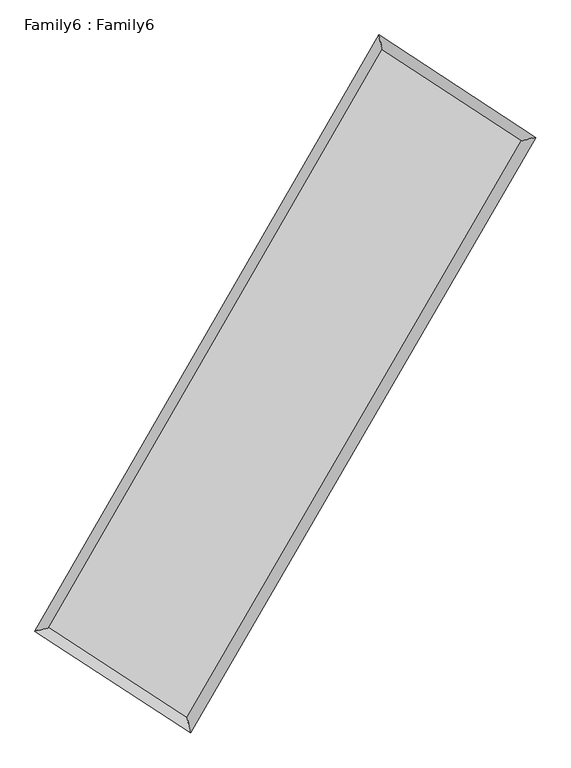
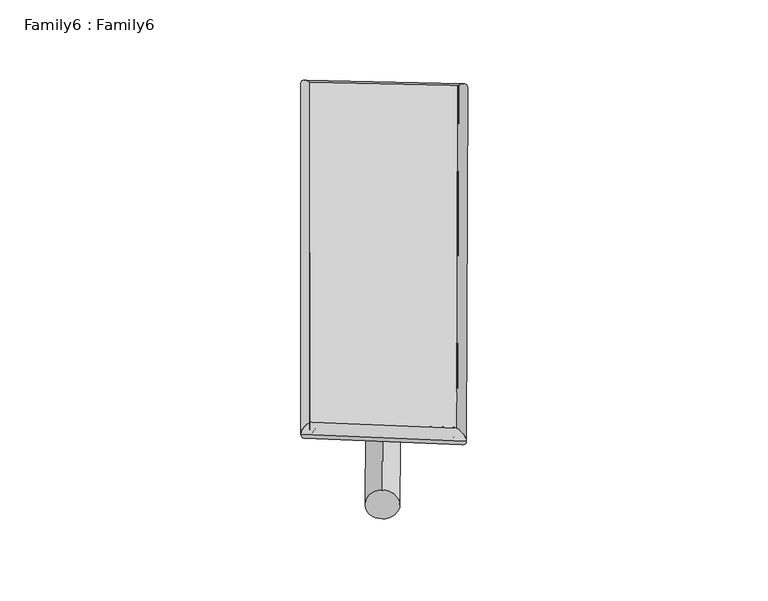
"""IFC4 building model written with IfcOpenShell, lengths in millimetres: plate geometry, Family6 : Family6."""

from ifc_helpers import new_model, si_unit, point, frame, origin, origin_2d, place, context, project, spatial, circle_curve, ellipse_curve, trimmed, segment, composite_curve, outline, extrude, source, transform, mapped, element, save
from ifc_brep_helpers import plane_surface, cylinder_surface, spline_surface, advanced_brep


def family6_family6_b4f76090(model_context):
    return source(origin(), model_context, "Body", "SolidModel", [
        extrude(outline(composite_curve([segment(trimmed(circle_curve(origin_2d(), 76.2), [point((-75.4341514, -10.7763074))], [point((75.4341514, 10.7763074))], False, "CARTESIAN"), True, "CONTINUOUS"), segment(trimmed(circle_curve(origin_2d(), 76.2), [point((75.4341514, 10.7763074))], [point((-75.4341514, -10.7763074))], False, "CARTESIAN"), True, "CONTINUOUS")], self_intersect=False)), frame((9144.0, 9144.0, 0.0), z_axis=(0.6709304404013192, 0.6871222973157053, 0.2787746270277831), x_axis=(-0.6796743776074097, 0.720168161679478, -0.13928589062493674)), (0.0, 0.0, 1.0), 5519.3623496),
        extrude(outline(composite_curve([segment(trimmed(circle_curve(origin_2d(), 76.2), [point((-53.8815367, 53.8815368))], [point((53.8815367, -53.8815368))], False, "CARTESIAN"), True, "CONTINUOUS"), segment(trimmed(circle_curve(origin_2d(), 76.2), [point((53.8815367, -53.8815368))], [point((-53.8815367, 53.8815368))], False, "CARTESIAN"), True, "CONTINUOUS")], self_intersect=False)), frame((9144.0, 9144.0, 0.0), z_axis=(-0.6691565517605604, -0.6887980343970279, 0.2789028093202134), x_axis=(0.6462310610662616, -0.35406941701124817, 0.6760327385936931)), (0.0, 0.0, 1.0), 5516.8865367),
        extrude(outline(composite_curve([segment(trimmed(circle_curve(origin_2d(), 76.2), [point((-53.8815367, -53.8815368))], [point((53.8815367, 53.8815368))], False, "CARTESIAN"), True, "CONTINUOUS"), segment(trimmed(circle_curve(origin_2d(), 76.2), [point((53.8815367, 53.8815368))], [point((-53.8815367, -53.8815368))], False, "CARTESIAN"), True, "CONTINUOUS")], self_intersect=False)), frame((9144.0, 9144.0, 0.0), z_axis=(0.2681392661558582, 0.9256318241656442, 0.2670338181526454), x_axis=(-0.840269598555065, 0.3602894541980956, -0.40514011272367045)), (0.0, 0.0, 1.0), 5641.9200081),
        extrude(outline(composite_curve([segment(trimmed(circle_curve(origin_2d(), 76.2), [point((-75.4341514, 10.7763074))], [point((75.4341514, -10.7763074))], False, "CARTESIAN"), True, "CONTINUOUS"), segment(trimmed(circle_curve(origin_2d(), 76.2), [point((75.4341514, -10.7763074))], [point((-75.4341514, 10.7763074))], False, "CARTESIAN"), True, "CONTINUOUS")], self_intersect=False)), frame((9144.0, 9144.0, 0.0), z_axis=(-0.27017992751140024, -0.9249791423647624, 0.26723845711289973), x_axis=(0.8805032660451731, -0.1250866177184184, 0.45723881785293496)), (0.0, 0.0, 1.0), 5636.8534243),
        advanced_brep(
        [(5248.2766325, 5295.166344, 1536.1892899), (5248.2465145, 5295.1214819, 1541.8524145), (5656.4018248, 5392.7924511, 1541.1610176), (10708.3428516, 14150.7140813, 1510.009893), (10605.2977298, 14581.9673365, 1503.1569899), (5656.4319428, 5392.8373132, 1535.4978931), (12642.7278017, 12887.9088886, 1538.3371699), (13051.4886221, 12985.0449861, 1538.979191), (7569.7873531, 4145.3636655, 1507.008687), (7672.2833477, 3714.6926425, 1505.7593371)],
        [
            (0, 1, ellipse_curve(frame((5452.3392287, 5343.9793975, 1538.6751538), z_axis=(-0.23271262830054576, 0.9725240444087428, 0.006466504180292591), x_axis=(-0.9724651519665216, -0.23277373819145544, 0.01130995221500936)), 209.8847443, 152.4)),
            (1, 2, ellipse_curve(frame((5452.3392287, 5343.9793975, 1538.6751538), z_axis=(-0.23271262830054576, 0.9725240444087428, 0.006466504180292591), x_axis=(-0.9724651519665216, -0.23277373819145544, 0.01130995221500936)), 209.8847443, 152.4)),
            (2, 3),
            (3, 4, ellipse_curve(frame((10656.8202907, 14366.3407089, 1506.5834415), z_axis=(-0.9725743407260297, -0.2324963485800785, -0.006678297556957807), x_axis=(0.23241996362464898, -0.9725581807698049, 0.010561511560571269)), 221.7261185, 152.4)),
            (4, 0),
            (2, 5, ellipse_curve(frame((5452.3392287, 5343.9793975, 1538.6751538), z_axis=(-0.23271262830054576, 0.9725240444087428, 0.006466504180292591), x_axis=(-0.9724651519665216, -0.23277373819145544, 0.01130995221500936)), 209.8847443, 152.4)),
            (5, 0, ellipse_curve(frame((5452.3392287, 5343.9793975, 1538.6751538), z_axis=(-0.23271262830054576, 0.9725240444087428, 0.006466504180292591), x_axis=(-0.9724651519665216, -0.23277373819145544, 0.01130995221500936)), 209.8847443, 152.4)),
            (4, 3, ellipse_curve(frame((10656.8202907, 14366.3407089, 1506.5834415), z_axis=(-0.9725743407260297, -0.2324963485800785, -0.006678297556957807), x_axis=(0.23241996362464898, -0.9725581807698049, 0.010561511560571269)), 221.7261185, 152.4)),
            (3, 6),
            (6, 7, ellipse_curve(frame((12847.1082119, 12936.4769373, 1538.6581804), z_axis=(-0.23118325564736258, 0.972889728973898, -0.006314868595721995), x_axis=(-0.9728322602135633, -0.23124202916307862, -0.011158738114674821)), 210.0809257, 152.4)),
            (7, 4),
            (7, 6, ellipse_curve(frame((12847.1082119, 12936.4769373, 1538.6581804), z_axis=(-0.23118325564736258, 0.972889728973898, -0.006314868595721995), x_axis=(-0.9728322602135633, -0.23124202916307862, -0.011158738114674821)), 210.0809257, 152.4)),
            (6, 8),
            (8, 9, ellipse_curve(frame((7621.0353504, 3930.028154, 1506.3840121), z_axis=(0.9728019902490878, 0.2315382417123034, -0.006806643239418593), x_axis=(-0.2314591777835485, 0.9727853869280957, 0.010734989469904898)), 221.358385, 152.4)),
            (9, 7),
            (9, 8, ellipse_curve(frame((7621.0353504, 3930.028154, 1506.3840121), z_axis=(0.9728019902490878, 0.2315382417123034, -0.006806643239418593), x_axis=(-0.2314591777835485, 0.9727853869280957, 0.010734989469904898)), 221.358385, 152.4)),
            (8, 5),
            (1, 9),
        ],
        [
            cylinder_surface(frame((5452.3392287, 5343.9793975, 1538.6751538), z_axis=(-0.49966768553148644, -0.8662117011764656, 0.0030810356345351165), x_axis=(-0.8660852789639064, 0.49952636946788875, -0.019227474307428497)), 152.4),
            cylinder_surface(frame((10656.8202907, 14366.3407089, 1506.5834415), z_axis=(-0.8373000162985698, 0.5466062007753916, -0.012261483609543258), x_axis=(0.5467203030956563, 0.8372611063695382, -0.00952627649453803)), 152.4),
            cylinder_surface(frame((12847.1082119, 12936.4769373, 1538.6581804), z_axis=(0.50188329013466, 0.8649297986513081, 0.00309943359601097), x_axis=(0.864934949777438, -0.50188329013466, -0.000834108571724706)), 152.4),
            cylinder_surface(frame((7621.0353504, 3930.028154, 1506.3840121), z_axis=(0.8376189232056778, -0.5461126186338754, -0.012471858586922735), x_axis=(-0.5460383486288923, -0.8377114235992719, 0.009038395759951781)), 152.4),
        ],
        [
            (0, [[1, 2, 3, 4, 5]]),
            (0, [[6, 7, -5, 8, -3]]),
            (1, [[-4, 9, 10, 11]]),
            (1, [[-8, -11, 12, -9]]),
            (2, [[-10, 13, 14, 15]]),
            (2, [[-12, -15, 16, -13]]),
            (3, [[-14, 17, -6, -2, 18]]),
            (3, [[-16, -18, -1, -7, -17]]),
        ],
    ),
        extrude(outline(composite_curve([segment(trimmed(circle_curve(origin_2d(), 304.8), [point((0.0, 304.8))], [point((0.0, -304.8))], False, "CARTESIAN"), True, "CONTINUOUS"), segment(trimmed(circle_curve(origin_2d(), 304.8), [point((0.0, -304.8))], [point((0.0, 304.8))], False, "CARTESIAN"), True, "CONTINUOUS")], self_intersect=False)), frame((11773.2404744, 13649.8801706, -0.0040126), z_axis=(-0.5039869201067303, -0.8637112853035676, 7.691485889936195e-07), x_axis=(-0.863711285303885, 0.5039869201067303, -2.0799403401594544e-07)), (0.0, 0.0, 1.0), 10433.7647249),
        advanced_brep(
        [(5452.3392287, 5343.9793975, 1538.6751538), (7621.0353504, 3930.028154, 1506.3840121), (7621.0317513, 3930.028734, 1658.784012), (5452.3356295, 5343.9799775, 1691.0751537), (12847.1082119, 12936.4769373, 1538.6581804), (12847.1046127, 12936.4775173, 1691.0581804), (10656.8202907, 14366.3407089, 1506.5834415), (10656.8166915, 14366.3412889, 1658.9834414)],
        [
            (0, 1),
            (1, 2),
            (2, 3),
            (3, 0),
            (1, 4),
            (4, 5),
            (5, 2),
            (4, 6),
            (6, 7),
            (7, 5),
            (6, 0),
            (3, 7),
        ],
        [
            plane_surface(frame((6536.6872896, 4637.0037758, 1522.5295829), z_axis=(-0.5461551981818017, -0.8376840092807687, -9.71051581901642e-06), x_axis=(0.8376189232056778, -0.5461126186338754, -0.01247185858692275))),
            plane_surface(frame((10234.0717812, 8433.2525457, 1522.5210962), z_axis=(0.8649339181881532, -0.5018857605758071, 2.2336809716602766e-05), x_axis=(0.50188329013466, 0.8649297986513084, 0.0030994335960109563))),
            plane_surface(frame((11751.9642513, 13651.4088231, 1522.620811), z_axis=(0.5466471950189922, 0.8373630300433166, 9.723356642305642e-06), x_axis=(-0.8373000162985696, 0.5466062007753919, -0.01226148360954327))),
            plane_surface(frame((8054.5797597, 9855.1600532, 1522.6292976), z_axis=(-0.8662158467893651, 0.4996699973693378, -2.235865237692927e-05), x_axis=(-0.4996676855314866, -0.8662117011764655, 0.003081035634535104))),
            spline_surface(1, 1, [[(7621.0317513, 3930.028734, 1658.784012), (5452.3356295, 5343.9799775, 1691.0751537)], [(12847.1046127, 12936.4775173, 1691.0581804), (10656.8166915, 14366.3412889, 1658.9834414)]], [2, 2], [2, 2], [0.0, 1.0], [0.0, 1.0]),
            spline_surface(1, 1, [[(10656.8202907, 14366.3407089, 1506.5834415), (5452.3392287, 5343.9793975, 1538.6751538)], [(12847.1082119, 12936.4769373, 1538.6581804), (7621.0353504, 3930.028154, 1506.3840121)]], [2, 2], [2, 2], [0.0, 1.0], [0.0, 1.0]),
        ],
        [
            (0, [[1, 2, 3, 4]]),
            (1, [[5, 6, 7, -2]]),
            (2, [[8, 9, 10, -6]]),
            (3, [[11, -4, 12, -9]]),
            (4, [[-3, -7, -10, -12]]),
            (5, [[-11, -8, -5, -1]]),
        ],
    ),
    ])


if __name__ == "__main__":
    model = new_model("IFC4")
    model_context = context("Model", 3, world=origin())
    ifc_project = project(units=[si_unit("LENGTHUNIT", "METRE", prefix="MILLI")], contexts=[model_context])
    site = spatial("IfcSite", under=ifc_project)
    building = spatial("IfcBuilding", under=site)
    placement = place(None, origin())
    family6_family6_shape = family6_family6_b4f76090(model_context)
    element("IfcPlate", 1, ObjectType="Family6 : Family6", at=placement, inside=building, context=model_context, shape_type="MappedRepresentation", body=[
        mapped(family6_family6_shape, transform((0.0, 0.0, 0.0), x_axis=(1.0, 0.0, 0.0), y_axis=(0.0, 1.0, 0.0), z_axis=(0.0, 0.0, 1.0))),
    ])
    save(model, "model.ifc")
